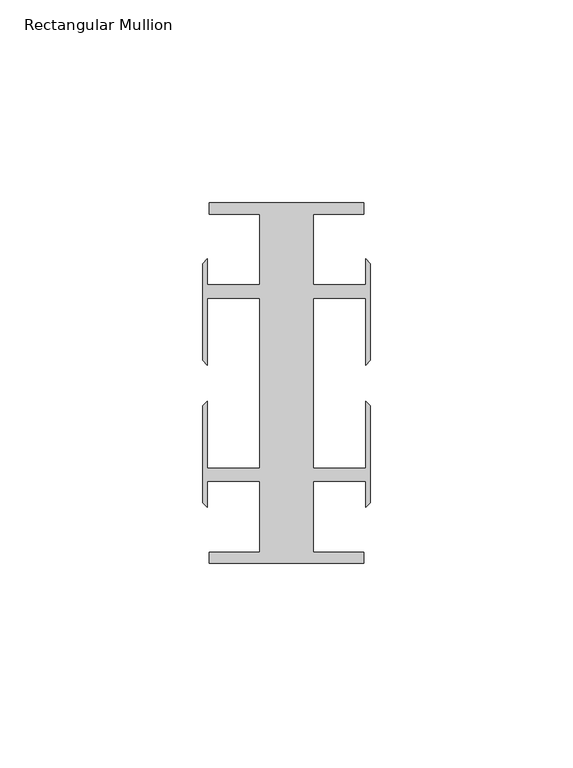
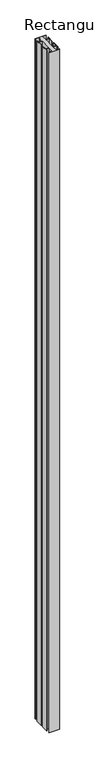
"""IFC4 building model written with IfcOpenShell, lengths in millimetres: member geometry, Rectangular Mullion."""

from ifc_helpers import new_model, si_unit, frame, origin, place, context, project, spatial, polyline, outline, extrude, source, transform, mapped, element, save


def rectangular_mullion_ba72ecc8(model_context):
    return source(origin(), model_context, "Body", "SweptSolid", [
        extrude(outline(polyline([(6.6000002, 41.6500013), (6.6000002, 24.2500008), (19.4924102, 24.2500008), (19.4924102, 30.6159585), (20.6375, 29.4708687), (20.6375, 5.5846059), (19.4924102, 4.4395161), (19.4924102, 20.9500007), (6.6000002, 20.9500007), (6.6000002, -20.9500007), (19.4924102, -20.9500007), (19.4924102, -4.4395161), (20.6375, -5.5846059), (20.6375, -29.4708687), (19.4924102, -30.6159585), (19.4924102, -24.2500008), (6.6000002, -24.2500008), (6.6000002, -41.6500013), (19.05, -41.6500013), (19.05, -44.45), (-19.05, -44.45), (-19.05, -41.6500013), (-6.6000002, -41.6500013), (-6.6000002, -24.2500008), (-19.4924102, -24.2500008), (-19.4924102, -30.6159585), (-20.6375, -29.4708687), (-20.6375, -5.5846059), (-19.4924102, -4.4395161), (-19.4924102, -20.9500007), (-6.6000002, -20.9500007), (-6.6000002, 20.9500007), (-19.4924102, 20.9500007), (-19.4924102, 4.4395161), (-20.6375, 5.5846059), (-20.6375, 29.4708687), (-19.4924102, 30.6159585), (-19.4924102, 24.2500008), (-6.6000002, 24.2500008), (-6.6000002, 41.6500013), (-19.05, 41.6500013), (-19.05, 44.45), (19.05, 44.45), (19.05, 41.6500013), (6.6000002, 41.6500013)])), frame((0.0, 0.0, -2613.025), z_axis=(0.0, 0.0, 1.0), x_axis=(1.0, 0.0, 0.0)), (0.0, 0.0, 1.0), 2613.025),
    ])


if __name__ == "__main__":
    model = new_model("IFC4")
    model_context = context("Model", 3, world=origin())
    ifc_project = project(units=[si_unit("LENGTHUNIT", "METRE", prefix="MILLI")], contexts=[model_context])
    site = spatial("IfcSite", under=ifc_project)
    building = spatial("IfcBuilding", under=site)
    placement = place(None, origin())
    rectangular_mullion_shape = rectangular_mullion_ba72ecc8(model_context)
    element("IfcMember", 1, ObjectType="Rectangular Mullion", at=placement, inside=building, context=model_context, shape_type="MappedRepresentation", body=[
        mapped(rectangular_mullion_shape, transform((0.0, 0.0, 0.0), x_axis=(1.0, 0.0, 0.0), y_axis=(0.0, 1.0, 0.0), z_axis=(0.0, 0.0, 1.0))),
    ])
    save(model, "model.ifc")
